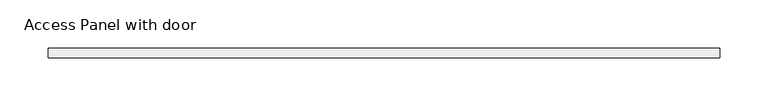
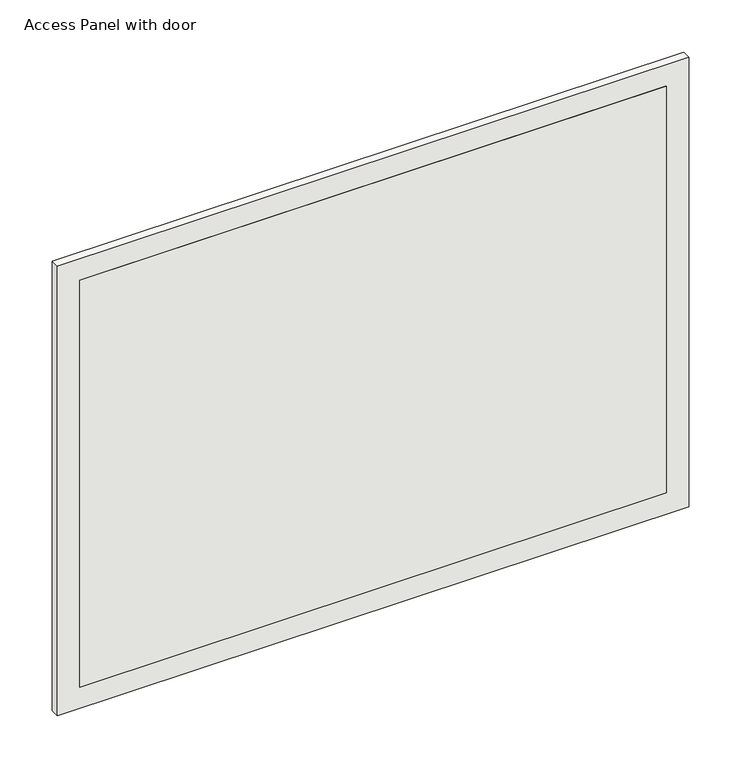
"""IFC4 building model written with IfcOpenShell, lengths in millimetres: covering geometry, Access Panel with door."""

from ifc_helpers import new_model, si_unit, frame, origin, place, context, project, spatial, polyline, outline, extrude, source, transform, mapped, element, save


def access_panel_with_door_2b59dffc(model_context):
    return source(origin(), model_context, "Body", "SweptSolid", [
        extrude(outline(polyline([(324.5, -10.0), (-324.5, -10.0), (-324.5, 0.0), (324.5, 0.0), (324.5, -10.0)])), frame((0.0, 0.0, 25.0), z_axis=(0.0, 0.0, 1.0), x_axis=(1.0, 0.0, 0.0)), (0.0, 0.0, 1.0), 476.0),
        extrude(outline(polyline([(0.0, -349.5), (0.0, 349.5), (526.0, 349.5), (526.0, -349.5), (0.0, -349.5)]), holes=[polyline([(501.0, 324.5), (25.0, 324.5), (25.0, -324.5), (501.0, -324.5), (501.0, 324.5)])]), frame((0.0, -10.0, 0.0), z_axis=(0.0, 1.0, 0.0), x_axis=(0.0, 0.0, 1.0)), (0.0, 0.0, 1.0), 10.0),
    ])


if __name__ == "__main__":
    model = new_model("IFC4")
    model_context = context("Model", 3, world=origin())
    ifc_project = project(units=[si_unit("LENGTHUNIT", "METRE", prefix="MILLI")], contexts=[model_context])
    site = spatial("IfcSite", under=ifc_project)
    building = spatial("IfcBuilding", under=site)
    placement = place(None, origin())
    access_panel_with_door_shape = access_panel_with_door_2b59dffc(model_context)
    element("IfcCovering", 1, ObjectType="Access Panel with door", at=placement, inside=building, context=model_context, shape_type="MappedRepresentation", body=[
        mapped(access_panel_with_door_shape, transform((0.0, 0.0, 0.0), x_axis=(1.0, 0.0, 0.0), y_axis=(0.0, 1.0, 0.0), z_axis=(0.0, 0.0, 1.0))),
    ])
    save(model, "model.ifc")
